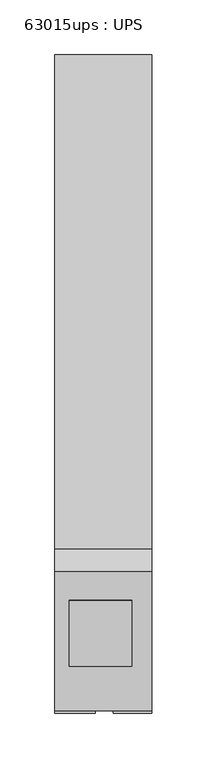
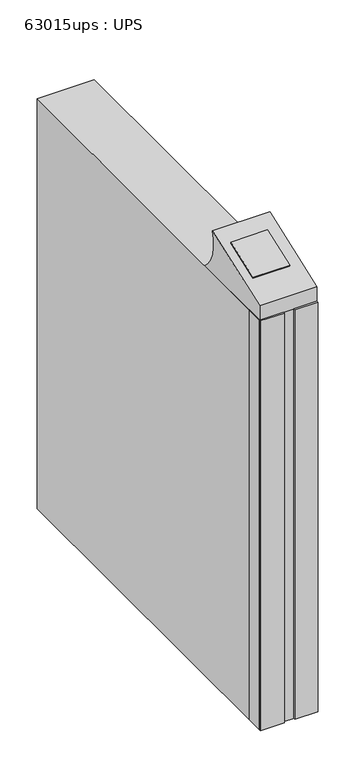
"""IFC4 building model written with IfcOpenShell, lengths in millimetres: proxy geometry, 63015ups : UPS."""

from ifc_helpers import new_model, si_unit, point, frame, frame_2d, origin, origin_with_axes, place, context, project, spatial, polyline, circle_curve, trimmed, segment, composite_curve, outline, extrude, source, transform, mapped, element, save


def proxy_63015ups_ups_696cf9a3(model_context):
    return source(origin(), model_context, "Body", "SweptSolid", [
        extrude(outline(polyline([(-478.8139025, -565.0142812), (-478.8139025, -595.4716338), (-515.7132784, -595.4716338), (-515.7132784, -565.0142812), (-478.8139025, -565.0142812)])), origin_with_axes(), (0.0, 0.0, 1.0), 673.2017342),
        extrude(outline(polyline([(-426.8132784, -565.8460128), (-426.8132784, -595.4655366), (-462.224479, -595.4655366), (-462.224479, -565.8460128), (-426.8132784, -565.8460128)])), origin_with_axes(), (0.0, 0.0, 1.0), 673.2017342),
        extrude(outline(polyline([(0.0, 0.0), (0.0, -63.5), (-57.15, -63.5), (-57.15, 0.0), (0.0, 0.0)])), frame((-502.5285921, -548.9641792, 704.8332822), z_axis=(0.0, -0.34202014332567116, 0.9396926207859075), x_axis=(-1.0, 0.0, 0.0)), (0.0, 0.0, 1.0), 9.9793202),
        extrude(outline(composite_curve([segment(polyline([(-445.5043249, 673.2017342), (-593.3014082, 673.2017342), (-593.3014082, 697.0067182), (-466.2627747, 743.2449994)]), True, "CONTINUOUS"), segment(trimmed(circle_curve(frame_2d((-405.0538488, 723.2875674)), 64.3803673), [point((-466.2627747, 743.2449994))], [point((-445.5043249, 673.2017342))], True, "CARTESIAN"), True, "CONTINUOUS")], self_intersect=False)), frame((-515.7132784, 0.0, 0.0), z_axis=(1.0, 0.0, 0.0), x_axis=(0.0, 1.0, 0.0)), (0.0, 0.0, 1.0), 88.9),
        extrude(outline(polyline([(-426.8132784, 6.4857188), (-426.8132784, -592.9542812), (-515.7132784, -592.9542812), (-515.7132784, 6.4857188), (-426.8132784, 6.4857188)])), origin_with_axes(), (0.0, 0.0, 1.0), 673.2017342),
    ])


if __name__ == "__main__":
    model = new_model("IFC4")
    model_context = context("Model", 3, world=origin())
    ifc_project = project(units=[si_unit("LENGTHUNIT", "METRE", prefix="MILLI")], contexts=[model_context])
    site = spatial("IfcSite", under=ifc_project)
    building = spatial("IfcBuilding", under=site)
    placement = place(None, origin())
    proxy_63015ups_ups_shape = proxy_63015ups_ups_696cf9a3(model_context)
    element("IfcBuildingElementProxy", 1, Name="63015ups : UPS", ObjectType="63015ups : UPS", at=placement, inside=building, context=model_context, shape_type="MappedRepresentation", body=[
        mapped(proxy_63015ups_ups_shape, transform((0.0, 0.0, 0.0), x_axis=(1.0, 0.0, 0.0), y_axis=(0.0, 1.0, 0.0), z_axis=(0.0, 0.0, 1.0))),
    ])
    save(model, "model.ifc")
